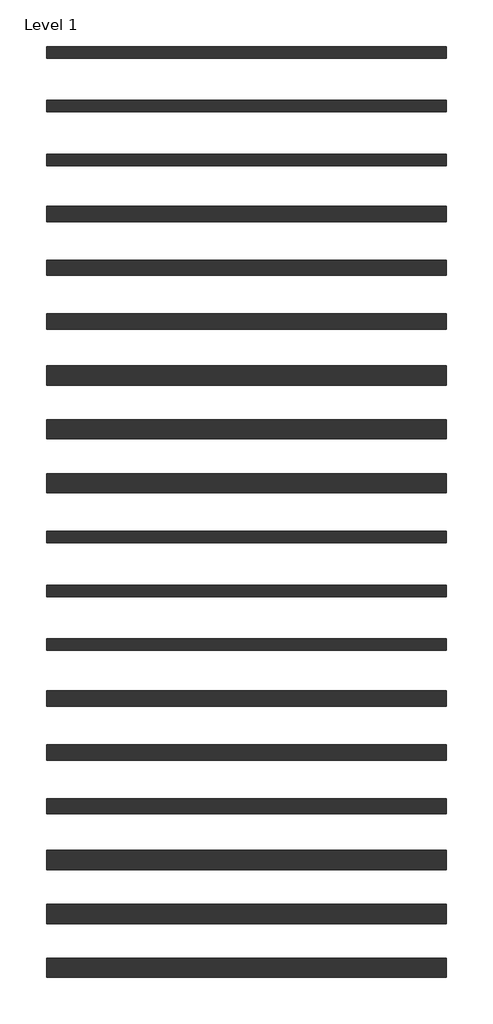
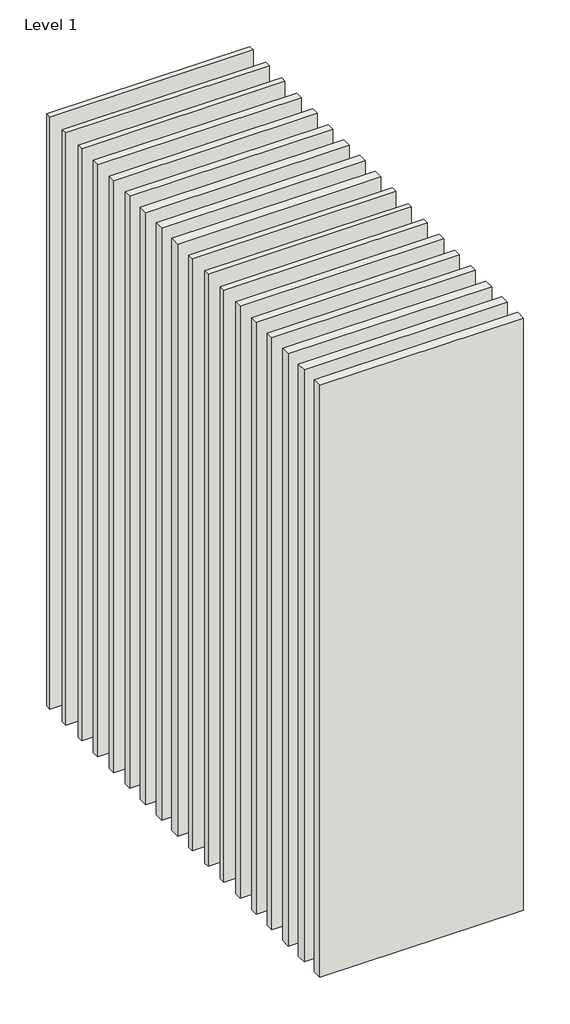
# One storey: 22 walls.
"""IFC4 building model written with IfcOpenShell, lengths in millimetres."""

from ifc_helpers import new_model, si_unit, origin, origin_with_axes, place, context, project, spatial, polyline, outline, extrude, element, save

model = new_model("IFC4")

# Units and contexts
model_context = context("Model", 3, world=origin())
ifc_project = project(units=[si_unit("LENGTHUNIT", "METRE", prefix="MILLI")], contexts=[model_context])

# Site, building, storey
site = spatial("IfcSite", under=ifc_project)
building = spatial("IfcBuilding", under=site)
storey = spatial("IfcBuildingStorey", under=building, Name="Level 1", Elevation=0.0)

# Walls
placement = place(None, origin())
element("IfcWall", 1, at=placement, inside=storey, context=model_context, shape_type="SweptSolid", body=[
    extrude(outline(polyline([(-16904.1464237, 6848.9042935), (-19504.1464237, 6848.9042935), (-19504.1464237, 6923.9042935), (-16904.1464237, 6923.9042935), (-16904.1464237, 6848.9042935)])), origin_with_axes(), (0.0, 0.0, 1.0), 8000.0),
])
element("IfcWall", 2, at=placement, inside=storey, context=model_context, shape_type="SweptSolid", body=[
    extrude(outline(polyline([(-16904.1464237, 3700.0198817), (-19504.1464237, 3700.0198817), (-19504.1464237, 3775.0198817), (-16904.1464237, 3775.0198817), (-16904.1464237, 3700.0198817)])), origin_with_axes(), (0.0, 0.0, 1.0), 8000.0),
])
element("IfcWall", 3, at=placement, inside=storey, context=model_context, shape_type="SweptSolid", body=[
    extrude(outline(polyline([(-16904.1464237, 6848.9042935), (-19504.1464237, 6848.9042935), (-19504.1464237, 6923.9042935), (-16904.1464237, 6923.9042935), (-16904.1464237, 6848.9042935)])), origin_with_axes(), (0.0, 0.0, 1.0), 8000.0),
])
element("IfcWall", 4, at=placement, inside=storey, context=model_context, shape_type="SweptSolid", body=[
    extrude(outline(polyline([(-16904.1464237, 6498.9042935), (-19504.1464237, 6498.9042935), (-19504.1464237, 6573.9042935), (-16904.1464237, 6573.9042935), (-16904.1464237, 6498.9042935)])), origin_with_axes(), (0.0, 0.0, 1.0), 8000.0),
])
element("IfcWall", 5, at=placement, inside=storey, context=model_context, shape_type="SweptSolid", body=[
    extrude(outline(polyline([(-16904.1464237, 6498.9042935), (-19504.1464237, 6498.9042935), (-19504.1464237, 6573.9042935), (-16904.1464237, 6573.9042935), (-16904.1464237, 6498.9042935)])), origin_with_axes(), (0.0, 0.0, 1.0), 8000.0),
])
element("IfcWall", 6, at=placement, inside=storey, context=model_context, shape_type="SweptSolid", body=[
    extrude(outline(polyline([(-16904.1464237, 6148.9042935), (-19504.1464237, 6148.9042935), (-19504.1464237, 6223.9042935), (-16904.1464237, 6223.9042935), (-16904.1464237, 6148.9042935)])), origin_with_axes(), (0.0, 0.0, 1.0), 8000.0),
])
element("IfcWall", 7, at=placement, inside=storey, context=model_context, shape_type="SweptSolid", body=[
    extrude(outline(polyline([(-16904.1464237, 6148.9042935), (-19504.1464237, 6148.9042935), (-19504.1464237, 6223.9042935), (-16904.1464237, 6223.9042935), (-16904.1464237, 6148.9042935)])), origin_with_axes(), (0.0, 0.0, 1.0), 8000.0),
])
element("IfcWall", 8, at=placement, inside=storey, context=model_context, shape_type="SweptSolid", body=[
    extrude(outline(polyline([(-16904.1464237, 5786.4042935), (-19504.1464237, 5786.4042935), (-19504.1464237, 5886.4042935), (-16904.1464237, 5886.4042935), (-16904.1464237, 5786.4042935)])), origin_with_axes(), (0.0, 0.0, 1.0), 8000.0),
])
element("IfcWall", 9, at=placement, inside=storey, context=model_context, shape_type="SweptSolid", body=[
    extrude(outline(polyline([(-16904.1464237, 5436.4042935), (-19504.1464237, 5436.4042935), (-19504.1464237, 5536.4042935), (-16904.1464237, 5536.4042935), (-16904.1464237, 5436.4042935)])), origin_with_axes(), (0.0, 0.0, 1.0), 8000.0),
])
element("IfcWall", 10, at=placement, inside=storey, context=model_context, shape_type="SweptSolid", body=[
    extrude(outline(polyline([(-16904.1464237, 5086.4042935), (-19504.1464237, 5086.4042935), (-19504.1464237, 5186.4042935), (-16904.1464237, 5186.4042935), (-16904.1464237, 5086.4042935)])), origin_with_axes(), (0.0, 0.0, 1.0), 8000.0),
])
element("IfcWall", 11, at=placement, inside=storey, context=model_context, shape_type="SweptSolid", body=[
    extrude(outline(polyline([(-16904.1464237, 4723.9042935), (-19504.1464237, 4723.9042935), (-19504.1464237, 4848.9042935), (-16904.1464237, 4848.9042935), (-16904.1464237, 4723.9042935)])), origin_with_axes(), (0.0, 0.0, 1.0), 8000.0),
])
element("IfcWall", 12, at=placement, inside=storey, context=model_context, shape_type="SweptSolid", body=[
    extrude(outline(polyline([(-16904.1464237, 4373.9042935), (-19504.1464237, 4373.9042935), (-19504.1464237, 4498.9042935), (-16904.1464237, 4498.9042935), (-16904.1464237, 4373.9042935)])), origin_with_axes(), (0.0, 0.0, 1.0), 8000.0),
])
element("IfcWall", 13, at=placement, inside=storey, context=model_context, shape_type="SweptSolid", body=[
    extrude(outline(polyline([(-16904.1464237, 4023.9042935), (-19504.1464237, 4023.9042935), (-19504.1464237, 4148.9042935), (-16904.1464237, 4148.9042935), (-16904.1464237, 4023.9042935)])), origin_with_axes(), (0.0, 0.0, 1.0), 8000.0),
])
element("IfcWall", 14, at=placement, inside=storey, context=model_context, shape_type="SweptSolid", body=[
    extrude(outline(polyline([(-16904.1464237, 3348.9042935), (-19504.1464237, 3348.9042935), (-19504.1464237, 3423.9042935), (-16904.1464237, 3423.9042935), (-16904.1464237, 3348.9042935)])), origin_with_axes(), (0.0, 0.0, 1.0), 8000.0),
])
element("IfcWall", 15, at=placement, inside=storey, context=model_context, shape_type="SweptSolid", body=[
    extrude(outline(polyline([(-16904.1464237, 2998.9042935), (-19504.1464237, 2998.9042935), (-19504.1464237, 3073.9042935), (-16904.1464237, 3073.9042935), (-16904.1464237, 2998.9042935)])), origin_with_axes(), (0.0, 0.0, 1.0), 8000.0),
])
element("IfcWall", 16, at=placement, inside=storey, context=model_context, shape_type="SweptSolid", body=[
    extrude(outline(polyline([(-16904.1464237, 2998.9042935), (-19504.1464237, 2998.9042935), (-19504.1464237, 3073.9042935), (-16904.1464237, 3073.9042935), (-16904.1464237, 2998.9042935)])), origin_with_axes(), (0.0, 0.0, 1.0), 8000.0),
])
element("IfcWall", 17, at=placement, inside=storey, context=model_context, shape_type="SweptSolid", body=[
    extrude(outline(polyline([(-16904.1464237, 2636.4042935), (-19504.1464237, 2636.4042935), (-19504.1464237, 2736.4042935), (-16904.1464237, 2736.4042935), (-16904.1464237, 2636.4042935)])), origin_with_axes(), (0.0, 0.0, 1.0), 8000.0),
])
element("IfcWall", 18, at=placement, inside=storey, context=model_context, shape_type="SweptSolid", body=[
    extrude(outline(polyline([(-16904.1464237, 2286.4042935), (-19504.1464237, 2286.4042935), (-19504.1464237, 2386.4042935), (-16904.1464237, 2386.4042935), (-16904.1464237, 2286.4042935)])), origin_with_axes(), (0.0, 0.0, 1.0), 8000.0),
])
element("IfcWall", 19, at=placement, inside=storey, context=model_context, shape_type="SweptSolid", body=[
    extrude(outline(polyline([(-16904.1464237, 1936.4042935), (-19504.1464237, 1936.4042935), (-19504.1464237, 2036.4042935), (-16904.1464237, 2036.4042935), (-16904.1464237, 1936.4042935)])), origin_with_axes(), (0.0, 0.0, 1.0), 8000.0),
])
element("IfcWall", 20, at=placement, inside=storey, context=model_context, shape_type="SweptSolid", body=[
    extrude(outline(polyline([(-16904.1464237, 1573.9042935), (-19504.1464237, 1573.9042935), (-19504.1464237, 1698.9042935), (-16904.1464237, 1698.9042935), (-16904.1464237, 1573.9042935)])), origin_with_axes(), (0.0, 0.0, 1.0), 8000.0),
])
element("IfcWall", 21, at=placement, inside=storey, context=model_context, shape_type="SweptSolid", body=[
    extrude(outline(polyline([(-16904.1464237, 1223.9042935), (-19504.1464237, 1223.9042935), (-19504.1464237, 1348.9042935), (-16904.1464237, 1348.9042935), (-16904.1464237, 1223.9042935)])), origin_with_axes(), (0.0, 0.0, 1.0), 8000.0),
])
element("IfcWall", 22, at=placement, inside=storey, context=model_context, shape_type="SweptSolid", body=[
    extrude(outline(polyline([(-16904.1464237, 873.9042935), (-19504.1464237, 873.9042935), (-19504.1464237, 998.9042935), (-16904.1464237, 998.9042935), (-16904.1464237, 873.9042935)])), origin_with_axes(), (0.0, 0.0, 1.0), 8000.0),
])

save(model, "model.ifc")
